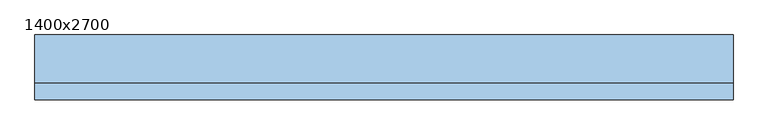
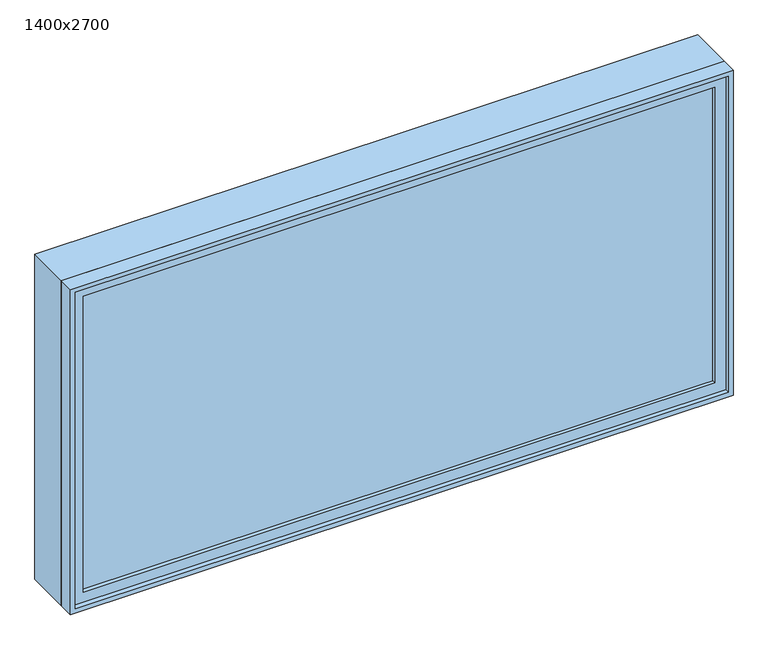
"""IFC4 building model written with IfcOpenShell, lengths in millimetres: window geometry, 1400x2700."""

from ifc_helpers import new_model, si_unit, frame, origin, place, context, project, spatial, polyline, outline, extrude, source, transform, mapped, element, save


def window_1400x2700_08ba83a2(model_context):
    return source(origin(), model_context, "Body", "SweptSolid", [
        extrude(outline(polyline([(-1287.0, -103.0), (-1287.0, -91.0), (1287.0, -91.0), (1287.0, -103.0), (-1287.0, -103.0)])), frame((0.0, 0.0, 978.0), z_axis=(0.0, 0.0, 1.0), x_axis=(1.0, 0.0, 0.0)), (0.0, 0.0, 1.0), 1274.0),
        extrude(outline(polyline([(2296.0, -1331.0), (934.0, -1331.0), (934.0, 1331.0), (2296.0, 1331.0), (2296.0, -1331.0)]), holes=[polyline([(2252.0, -1287.0), (2252.0, 1287.0), (978.0, 1287.0), (978.0, -1287.0), (2252.0, -1287.0)])]), frame((0.0, -119.0, 0.0), z_axis=(0.0, 1.0, 0.0), x_axis=(0.0, 0.0, 1.0)), (0.0, 0.0, 1.0), 44.0),
        extrude(outline(polyline([(2315.0, -1350.0), (915.0, -1350.0), (915.0, 1350.0), (2315.0, 1350.0), (2315.0, -1350.0)]), holes=[polyline([(2296.0, -1331.0), (2296.0, 1331.0), (934.0, 1331.0), (934.0, -1331.0), (2296.0, -1331.0)])]), frame((0.0, -138.0, 0.0), z_axis=(0.0, 1.0, 0.0), x_axis=(0.0, 0.0, 1.0)), (0.0, 0.0, 1.0), 63.0),
        extrude(outline(polyline([(2315.0, -1350.0), (915.0, -1350.0), (915.0, 1350.0), (2315.0, 1350.0), (2315.0, -1350.0)]), holes=[polyline([(2283.0, -1318.0), (2283.0, 1318.0), (947.0, 1318.0), (947.0, -1318.0), (2283.0, -1318.0)])]), frame((0.0, -75.0, 0.0), z_axis=(0.0, 1.0, 0.0), x_axis=(0.0, 0.0, 1.0)), (0.0, 0.0, 1.0), 187.0),
    ])


if __name__ == "__main__":
    model = new_model("IFC4")
    model_context = context("Model", 3, world=origin())
    ifc_project = project(units=[si_unit("LENGTHUNIT", "METRE", prefix="MILLI")], contexts=[model_context])
    site = spatial("IfcSite", under=ifc_project)
    building = spatial("IfcBuilding", under=site)
    placement = place(None, origin())
    window_1400x2700_shape = window_1400x2700_08ba83a2(model_context)
    element("IfcWindow", 1, ObjectType="1400x2700", at=placement, inside=building, context=model_context, shape_type="MappedRepresentation", body=[
        mapped(window_1400x2700_shape, transform((0.0, 0.0, 0.0), x_axis=(1.0, 0.0, 0.0), y_axis=(0.0, 1.0, 0.0), z_axis=(0.0, 0.0, 1.0))),
    ])
    save(model, "model.ifc")
